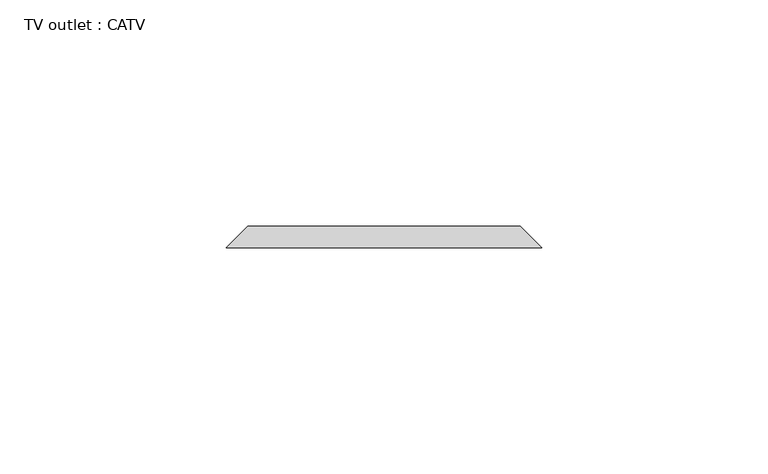
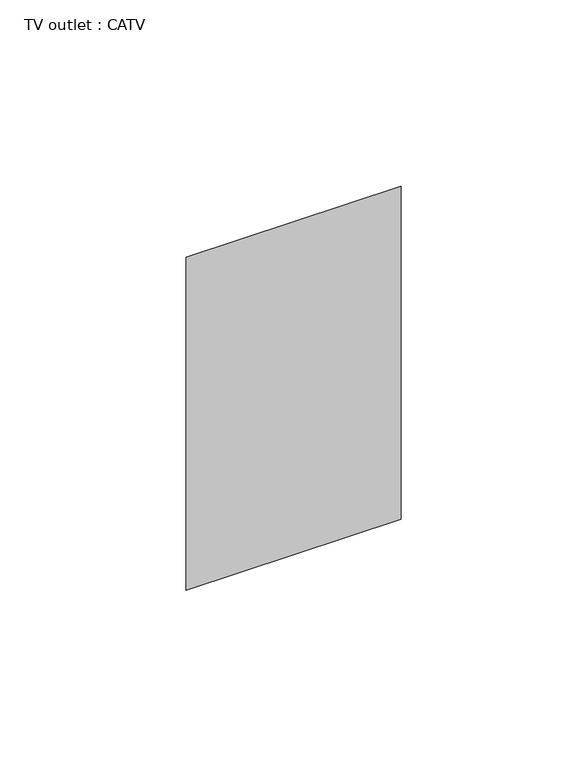
"""IFC4 building model written with IfcOpenShell, lengths in millimetres: proxy geometry, TV outlet : CATV."""

from ifc_helpers import new_model, si_unit, origin, place, context, project, spatial, faceted_brep, source, transform, mapped, element, save


def tv_outlet_catv_b6c2167a(model_context):
    return source(origin(), model_context, "Body", "Brep", [
        faceted_brep([(-30.1625, 66.675, 357.1875), (30.1625, 66.675, 357.1875), (30.1625, 66.675, 252.4125), (-30.1625, 66.675, 252.4125), (-34.925, 61.9125, 361.95), (-34.925, 61.9125, 247.65), (34.925, 61.9125, 247.65), (34.925, 61.9125, 361.95)], [[[0, 1, 2, 3]], [[4, 5, 6, 7]], [[4, 7, 1, 0]], [[7, 6, 2, 1]], [[6, 5, 3, 2]], [[5, 4, 0, 3]]]),
    ])


if __name__ == "__main__":
    model = new_model("IFC4")
    model_context = context("Model", 3, world=origin())
    ifc_project = project(units=[si_unit("LENGTHUNIT", "METRE", prefix="MILLI")], contexts=[model_context])
    site = spatial("IfcSite", under=ifc_project)
    building = spatial("IfcBuilding", under=site)
    placement = place(None, origin())
    tv_outlet_catv_shape = tv_outlet_catv_b6c2167a(model_context)
    element("IfcBuildingElementProxy", 1, Name="TV outlet : CATV", ObjectType="TV outlet : CATV", at=placement, inside=building, context=model_context, shape_type="MappedRepresentation", body=[
        mapped(tv_outlet_catv_shape, transform((0.0, 0.0, 0.0), x_axis=(1.0, 0.0, 0.0), y_axis=(0.0, 1.0, 0.0), z_axis=(0.0, 0.0, 1.0))),
    ])
    save(model, "model.ifc")
